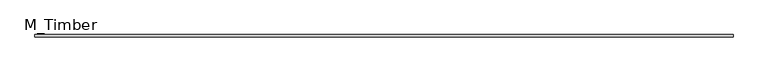
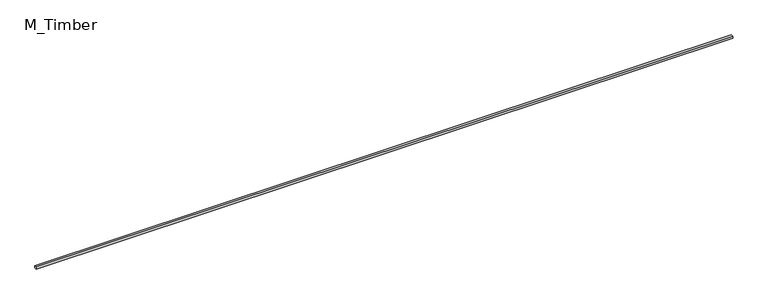
"""IFC4 building model written with IfcOpenShell, lengths in millimetres: beam geometry, M_Timber."""

from ifc_helpers import new_model, si_unit, frame, origin, place, context, project, spatial, polyline, outline, extrude, source, transform, mapped, element, save


def m_timber_e9a86877(model_context):
    return source(origin(), model_context, "Body", "SweptSolid", [
        extrude(outline(polyline([(6336.4611368, 20.0), (6336.4611368, -20.0), (-6336.4611368, -20.0), (-6336.4611368, 20.0), (6336.4611368, 20.0)])), frame((0.0, 0.0, -20.0), z_axis=(0.0, 0.0, 1.0), x_axis=(1.0, 0.0, 0.0)), (0.0, 0.0, 1.0), 40.0),
    ])


if __name__ == "__main__":
    model = new_model("IFC4")
    model_context = context("Model", 3, world=origin())
    ifc_project = project(units=[si_unit("LENGTHUNIT", "METRE", prefix="MILLI")], contexts=[model_context])
    site = spatial("IfcSite", under=ifc_project)
    building = spatial("IfcBuilding", under=site)
    placement = place(None, origin())
    m_timber_shape = m_timber_e9a86877(model_context)
    element("IfcBeam", 1, ObjectType="M_Timber", at=placement, inside=building, context=model_context, shape_type="MappedRepresentation", body=[
        mapped(m_timber_shape, transform((0.0, 0.0, 0.0), x_axis=(1.0, 0.0, 0.0), y_axis=(0.0, 1.0, 0.0), z_axis=(0.0, 0.0, 1.0))),
    ])
    save(model, "model.ifc")
